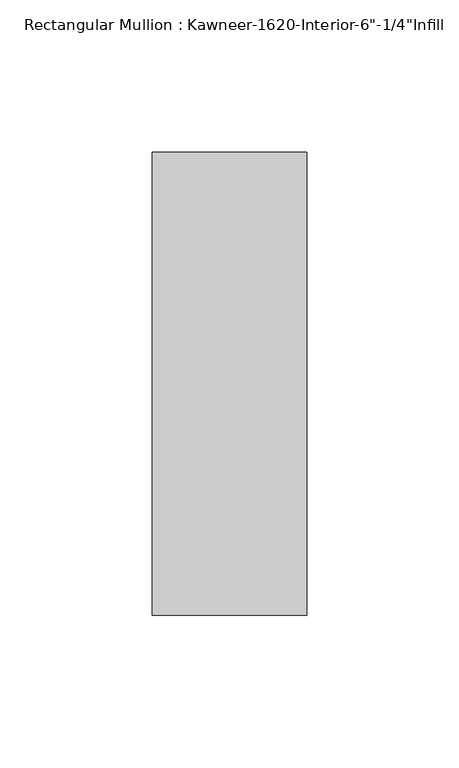
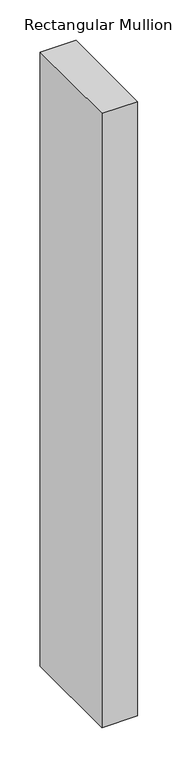
"""IFC4 building model written with IfcOpenShell, lengths in millimetres: member geometry."""

from ifc_helpers import new_model, si_unit, frame, origin, place, context, project, spatial, polyline, outline, extrude, source, transform, mapped, element, save


def member_94f78037(model_context):
    return source(origin(), model_context, "Body", "SweptSolid", [
        extrude(outline(polyline([(25.4, 123.825), (25.4, -28.575), (-25.4, -28.575), (-25.4, 123.825), (25.4, 123.825)])), frame((0.0, 0.0, -927.0758018), z_axis=(0.0, 0.0, 1.0), x_axis=(1.0, 0.0, 0.0)), (0.0, 0.0, 1.0), 927.0758018),
    ])


if __name__ == "__main__":
    model = new_model("IFC4")
    model_context = context("Model", 3, world=origin())
    ifc_project = project(units=[si_unit("LENGTHUNIT", "METRE", prefix="MILLI")], contexts=[model_context])
    site = spatial("IfcSite", under=ifc_project)
    building = spatial("IfcBuilding", under=site)
    placement = place(None, origin())
    member_shape = member_94f78037(model_context)
    element("IfcMember", 1, ObjectType="Rectangular Mullion : Kawneer-1620-Interior-6\"-1/4\"Infill", at=placement, inside=building, context=model_context, shape_type="MappedRepresentation", body=[
        mapped(member_shape, transform((0.0, 0.0, 0.0), x_axis=(1.0, 0.0, 0.0), y_axis=(0.0, 1.0, 0.0), z_axis=(0.0, 0.0, 1.0))),
    ])
    save(model, "model.ifc")
